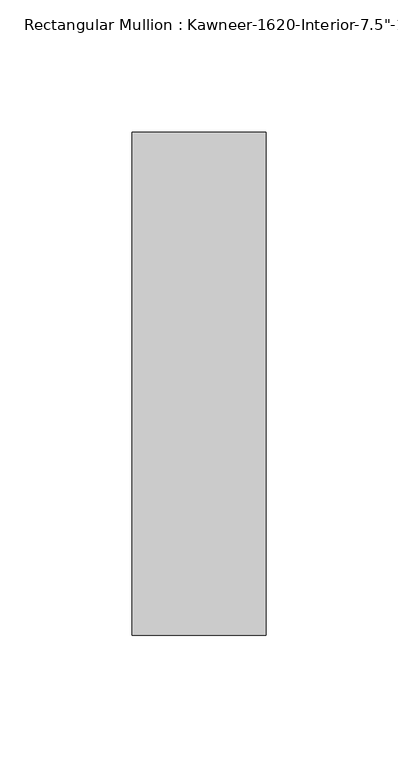
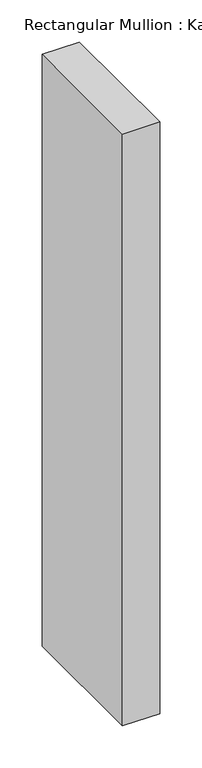
"""IFC4 building model written with IfcOpenShell, lengths in millimetres: member geometry."""

from ifc_helpers import new_model, si_unit, frame, origin, place, context, project, spatial, polyline, outline, extrude, source, transform, mapped, element, save


def member_c9eec3c3(model_context):
    return source(origin(), model_context, "Body", "SweptSolid", [
        extrude(outline(polyline([(25.4, -161.925), (-25.4, -161.925), (-25.4, 28.575), (25.4, 28.575), (25.4, -161.925)])), frame((0.0, 0.0, -856.6198107), z_axis=(0.0, 0.0, 1.0), x_axis=(1.0, 0.0, 0.0)), (0.0, 0.0, 1.0), 856.6198107),
    ])


if __name__ == "__main__":
    model = new_model("IFC4")
    model_context = context("Model", 3, world=origin())
    ifc_project = project(units=[si_unit("LENGTHUNIT", "METRE", prefix="MILLI")], contexts=[model_context])
    site = spatial("IfcSite", under=ifc_project)
    building = spatial("IfcBuilding", under=site)
    placement = place(None, origin())
    member_shape = member_c9eec3c3(model_context)
    element("IfcMember", 1, ObjectType="Rectangular Mullion : Kawneer-1620-Interior-7.5\"-1/4\"Infill", at=placement, inside=building, context=model_context, shape_type="MappedRepresentation", body=[
        mapped(member_shape, transform((0.0, 0.0, 0.0), x_axis=(1.0, 0.0, 0.0), y_axis=(0.0, 1.0, 0.0), z_axis=(0.0, 0.0, 1.0))),
    ])
    save(model, "model.ifc")
